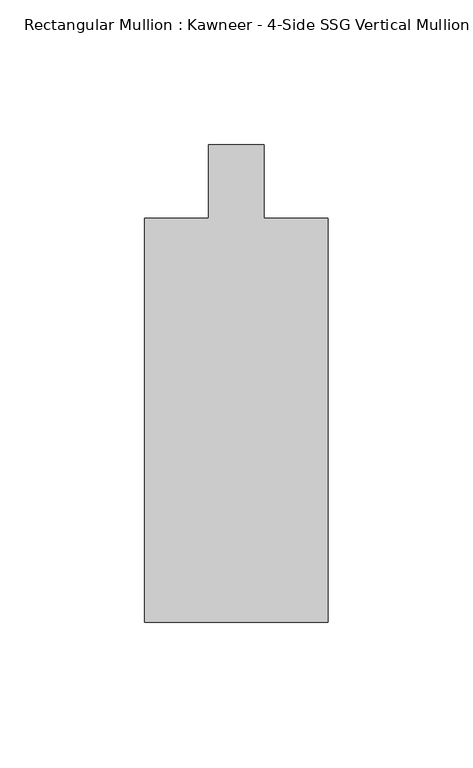
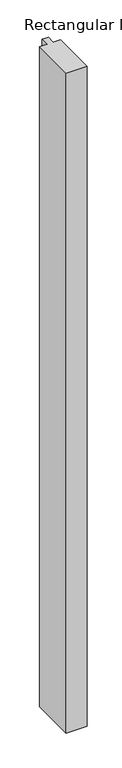
"""IFC4 building model written with IfcOpenShell, lengths in millimetres: member geometry."""

from ifc_helpers import new_model, si_unit, frame, origin, place, context, project, spatial, polyline, outline, extrude, source, transform, mapped, element, save


def member_a6d73d24(model_context):
    return source(origin(), model_context, "Body", "SweptSolid", [
        extrude(outline(polyline([(-31.75, -152.399995), (-31.75, -12.7), (-9.5251132, -12.7), (-9.5251132, 12.7), (9.5251132, 12.7), (9.5251132, -12.7), (31.75, -12.7), (31.75, -152.399995), (-31.75, -152.399995)])), frame((0.0, 0.0, -2113.59299), z_axis=(0.0, 0.0, 1.0), x_axis=(1.0, 0.0, 0.0)), (0.0, 0.0, 1.0), 2113.59299),
    ])


if __name__ == "__main__":
    model = new_model("IFC4")
    model_context = context("Model", 3, world=origin())
    ifc_project = project(units=[si_unit("LENGTHUNIT", "METRE", prefix="MILLI")], contexts=[model_context])
    site = spatial("IfcSite", under=ifc_project)
    building = spatial("IfcBuilding", under=site)
    placement = place(None, origin())
    member_shape = member_a6d73d24(model_context)
    element("IfcMember", 1, ObjectType="Rectangular Mullion : Kawneer - 4-Side SSG Vertical Mullion - 6 1/2\"", at=placement, inside=building, context=model_context, shape_type="MappedRepresentation", body=[
        mapped(member_shape, transform((0.0, 0.0, 0.0), x_axis=(1.0, 0.0, 0.0), y_axis=(0.0, 1.0, 0.0), z_axis=(0.0, 0.0, 1.0))),
    ])
    save(model, "model.ifc")
